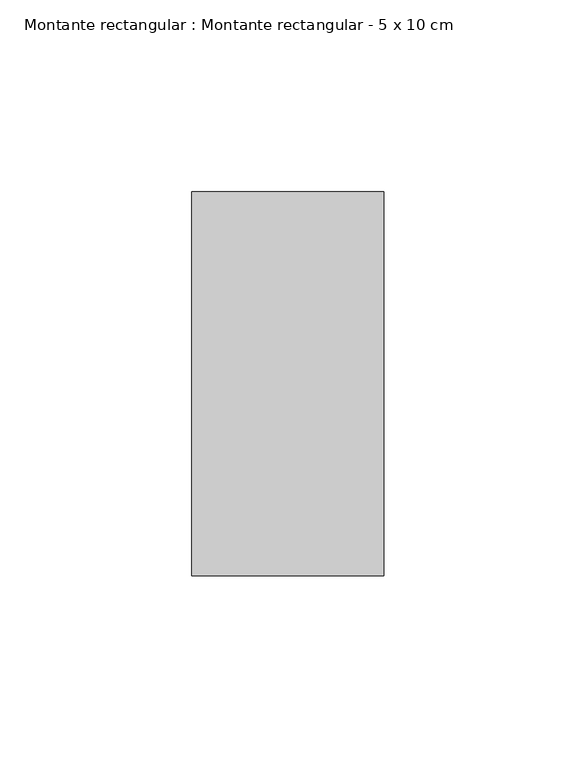
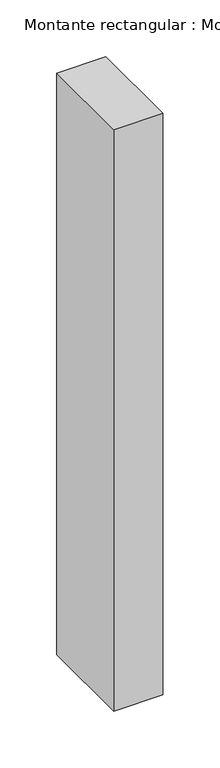
"""IFC4 building model written with IfcOpenShell, lengths in millimetres: member geometry, Montante rectangular : Montante rectangular - 5 x 10 cm."""

from ifc_helpers import new_model, si_unit, frame, origin, place, context, project, spatial, polyline, outline, extrude, source, transform, mapped, element, save


def montante_rectangular_montante_rectangular_5_x_10_cm_5c7cfa3c(model_context):
    return source(origin(), model_context, "Body", "SweptSolid", [
        extrude(outline(polyline([(0.0, 50.0), (0.0, -50.0), (-50.0, -50.0), (-50.0, 50.0), (0.0, 50.0)])), frame((0.0, 0.0, -625.054302), z_axis=(0.0, 0.0, 1.0), x_axis=(1.0, 0.0, 0.0)), (0.0, 0.0, 1.0), 625.054302),
    ])


if __name__ == "__main__":
    model = new_model("IFC4")
    model_context = context("Model", 3, world=origin())
    ifc_project = project(units=[si_unit("LENGTHUNIT", "METRE", prefix="MILLI")], contexts=[model_context])
    site = spatial("IfcSite", under=ifc_project)
    building = spatial("IfcBuilding", under=site)
    placement = place(None, origin())
    montante_rectangular_montante_rectangular_5_x_10_cm_shape = montante_rectangular_montante_rectangular_5_x_10_cm_5c7cfa3c(model_context)
    element("IfcMember", 1, ObjectType="Montante rectangular : Montante rectangular - 5 x 10 cm", at=placement, inside=building, context=model_context, shape_type="MappedRepresentation", body=[
        mapped(montante_rectangular_montante_rectangular_5_x_10_cm_shape, transform((0.0, 0.0, 0.0), x_axis=(1.0, 0.0, 0.0), y_axis=(0.0, 1.0, 0.0), z_axis=(0.0, 0.0, 1.0))),
    ])
    save(model, "model.ifc")
